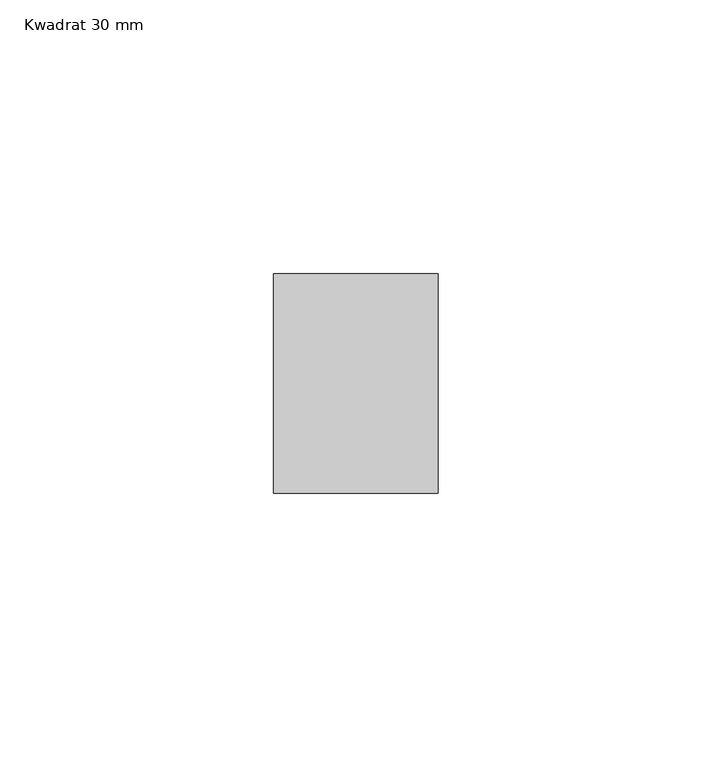
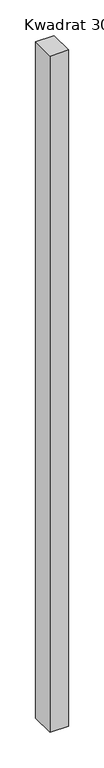
"""IFC4 building model written with IfcOpenShell, lengths in millimetres: member geometry, Kwadrat 30 mm."""

from ifc_helpers import new_model, si_unit, frame, origin, place, context, project, spatial, polyline, outline, extrude, source, transform, mapped, element, save


def kwadrat_30_mm_c1077d9b(model_context):
    return source(origin(), model_context, "Body", "SweptSolid", [
        extrude(outline(polyline([(0.0, 20.0), (0.0, -20.0), (-30.0, -20.0), (-30.0, 20.0), (0.0, 20.0)])), frame((0.0, 0.0, -1154.7005384), z_axis=(0.0, 0.0, 1.0), x_axis=(1.0, 0.0, 0.0)), (0.0, 0.0, 1.0), 1154.7005384),
    ])


if __name__ == "__main__":
    model = new_model("IFC4")
    model_context = context("Model", 3, world=origin())
    ifc_project = project(units=[si_unit("LENGTHUNIT", "METRE", prefix="MILLI")], contexts=[model_context])
    site = spatial("IfcSite", under=ifc_project)
    building = spatial("IfcBuilding", under=site)
    placement = place(None, origin())
    kwadrat_30_mm_shape = kwadrat_30_mm_c1077d9b(model_context)
    element("IfcMember", 1, ObjectType="Kwadrat 30 mm", at=placement, inside=building, context=model_context, shape_type="MappedRepresentation", body=[
        mapped(kwadrat_30_mm_shape, transform((0.0, 0.0, 0.0), x_axis=(1.0, 0.0, 0.0), y_axis=(0.0, 1.0, 0.0), z_axis=(0.0, 0.0, 1.0))),
    ])
    save(model, "model.ifc")
